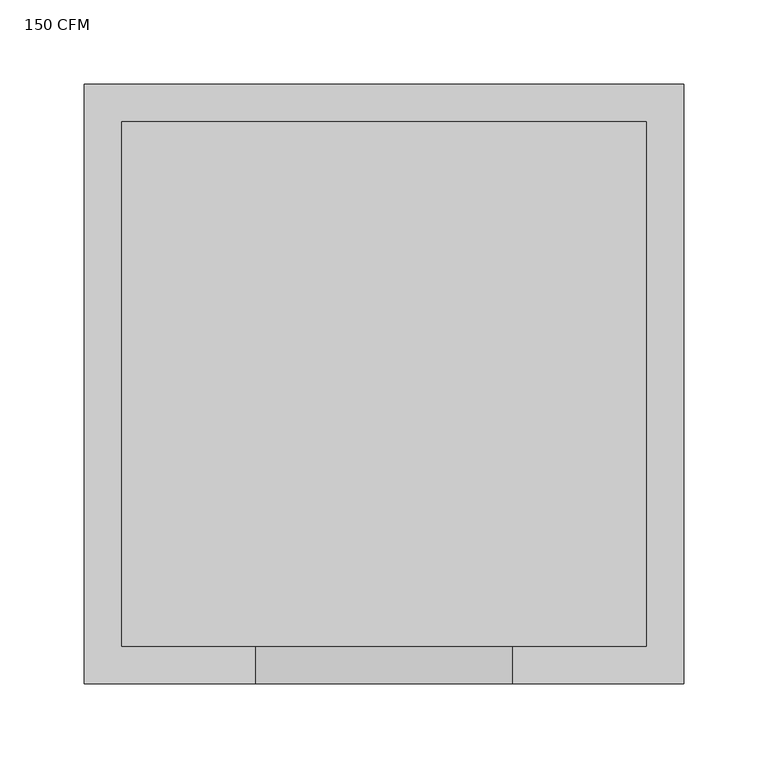
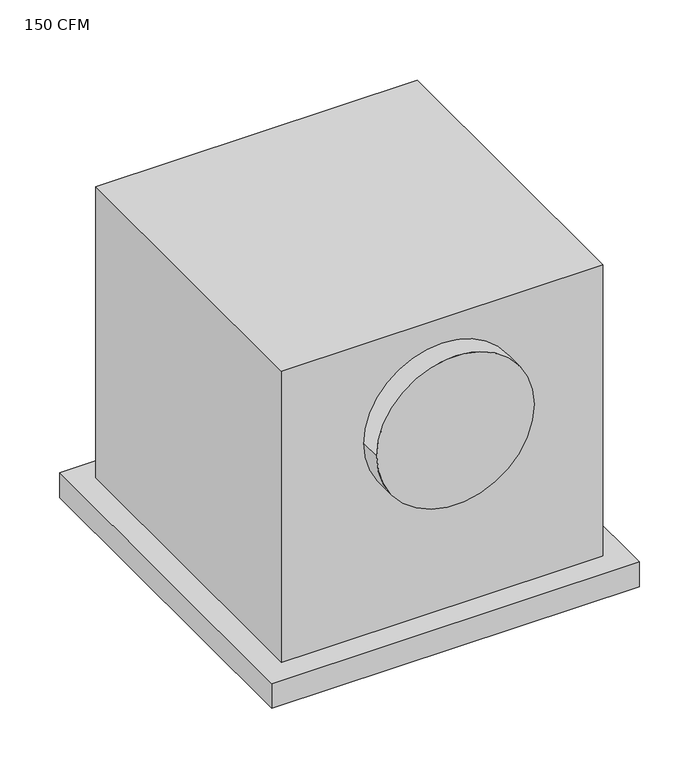
"""IFC4 building model written with IfcOpenShell, lengths in millimetres: proxy geometry, 150 CFM."""

from ifc_helpers import new_model, si_unit, point, frame, frame_2d, origin, origin_with_axes, place, context, project, spatial, polyline, circle_curve, trimmed, segment, composite_curve, outline, extrude, source, transform, mapped, element, save


def proxy_150_cfm_e4530a98(model_context):
    return source(origin(), model_context, "Body", "SweptSolid", [
        extrude(outline(polyline([(177.8, 177.8), (177.8, -177.8), (-177.8, -177.8), (-177.8, 177.8), (177.8, 177.8)])), frame((0.0, 0.0, -25.4), z_axis=(0.0, 0.0, 1.0), x_axis=(1.0, 0.0, 0.0)), (0.0, 0.0, 1.0), 25.4),
        extrude(outline(polyline([(155.575, 155.575), (155.575, -155.575), (-155.575, -155.575), (-155.575, 155.575), (155.575, 155.575)])), origin_with_axes(), (0.0, 0.0, 1.0), 298.45),
        extrude(outline(composite_curve([segment(trimmed(circle_curve(frame_2d((196.85, 0.0)), 76.2), [point((196.85, -76.2))], [point((196.85, 76.2))], False, "CARTESIAN"), True, "CONTINUOUS"), segment(trimmed(circle_curve(frame_2d((196.85, 0.0)), 76.2), [point((196.85, 76.2))], [point((196.85, -76.2))], False, "CARTESIAN"), True, "CONTINUOUS")], self_intersect=False)), frame((0.0, -177.8, 0.0), z_axis=(0.0, 1.0, 0.0), x_axis=(0.0, 0.0, 1.0)), (0.0, 0.0, 1.0), 22.225),
    ])


if __name__ == "__main__":
    model = new_model("IFC4")
    model_context = context("Model", 3, world=origin())
    ifc_project = project(units=[si_unit("LENGTHUNIT", "METRE", prefix="MILLI")], contexts=[model_context])
    site = spatial("IfcSite", under=ifc_project)
    building = spatial("IfcBuilding", under=site)
    placement = place(None, origin())
    proxy_150_cfm_shape = proxy_150_cfm_e4530a98(model_context)
    element("IfcBuildingElementProxy", 1, Name="150 CFM", ObjectType="150 CFM", at=placement, inside=building, context=model_context, shape_type="MappedRepresentation", body=[
        mapped(proxy_150_cfm_shape, transform((0.0, 0.0, 0.0), x_axis=(1.0, 0.0, 0.0), y_axis=(0.0, 1.0, 0.0), z_axis=(0.0, 0.0, 1.0))),
    ])
    save(model, "model.ifc")
